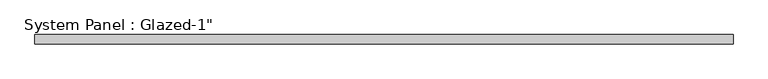
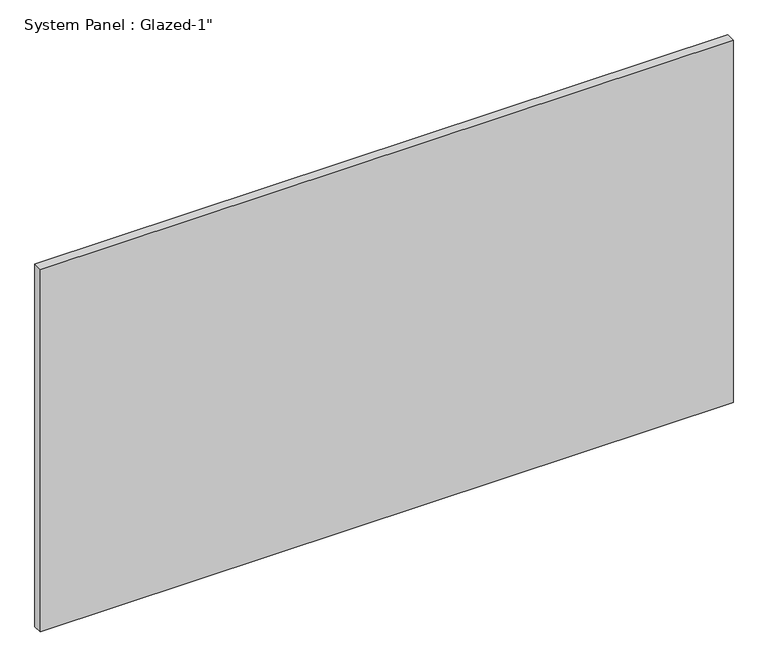
"""IFC4 building model written with IfcOpenShell, lengths in millimetres: plate geometry."""

from ifc_helpers import new_model, si_unit, origin, origin_with_axes, place, context, project, spatial, polyline, outline, extrude, source, transform, mapped, element, save


def plate_1473628f(model_context):
    return source(origin(), model_context, "Body", "SweptSolid", [
        extrude(outline(polyline([(962.024708, 25.4), (-962.024708, 25.4), (-962.024708, 50.8), (962.024708, 50.8), (962.024708, 25.4)])), origin_with_axes(), (0.0, 0.0, 1.0), 1064.8893215),
    ])


if __name__ == "__main__":
    model = new_model("IFC4")
    model_context = context("Model", 3, world=origin())
    ifc_project = project(units=[si_unit("LENGTHUNIT", "METRE", prefix="MILLI")], contexts=[model_context])
    site = spatial("IfcSite", under=ifc_project)
    building = spatial("IfcBuilding", under=site)
    placement = place(None, origin())
    plate_shape = plate_1473628f(model_context)
    element("IfcPlate", 1, ObjectType="System Panel : Glazed-1\"", at=placement, inside=building, context=model_context, shape_type="MappedRepresentation", body=[
        mapped(plate_shape, transform((0.0, 0.0, 0.0), x_axis=(1.0, 0.0, 0.0), y_axis=(0.0, 1.0, 0.0), z_axis=(0.0, 0.0, 1.0))),
    ])
    save(model, "model.ifc")
